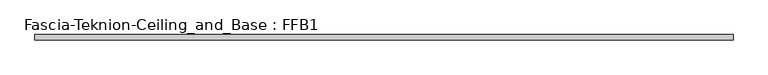
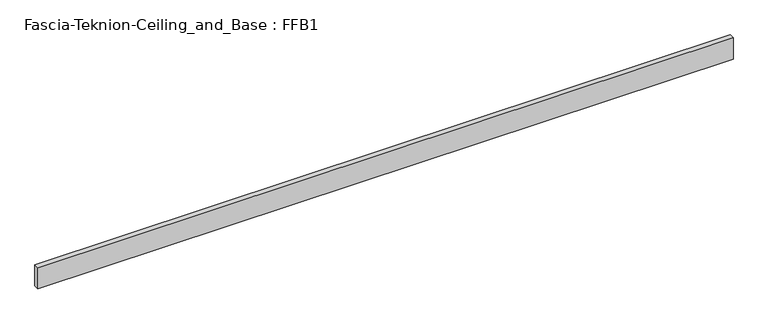
"""IFC4 building model written with IfcOpenShell, lengths in millimetres: proxy geometry, Fascia-Teknion-Ceiling_and_Base : FFB1."""

from ifc_helpers import new_model, si_unit, origin, origin_with_axes, place, context, project, spatial, polyline, outline, extrude, source, transform, mapped, element, save


def fascia_teknion_ceiling_and_base_ffb1_9837481b(model_context):
    return source(origin(), model_context, "Body", "SweptSolid", [
        extrude(outline(polyline([(1259.8356344, 0.0), (1259.8356344, -19.05), (-1259.8356344, -19.05), (-1259.8356344, 0.0), (1259.8356344, 0.0)])), origin_with_axes(), (0.0, 0.0, 1.0), 81.28),
    ])


if __name__ == "__main__":
    model = new_model("IFC4")
    model_context = context("Model", 3, world=origin())
    ifc_project = project(units=[si_unit("LENGTHUNIT", "METRE", prefix="MILLI")], contexts=[model_context])
    site = spatial("IfcSite", under=ifc_project)
    building = spatial("IfcBuilding", under=site)
    placement = place(None, origin())
    fascia_teknion_ceiling_and_base_ffb1_shape = fascia_teknion_ceiling_and_base_ffb1_9837481b(model_context)
    element("IfcBuildingElementProxy", 1, Name="Fascia-Teknion-Ceiling_and_Base : FFB1", ObjectType="Fascia-Teknion-Ceiling_and_Base : FFB1", at=placement, inside=building, context=model_context, shape_type="MappedRepresentation", body=[
        mapped(fascia_teknion_ceiling_and_base_ffb1_shape, transform((0.0, 0.0, 0.0), x_axis=(1.0, 0.0, 0.0), y_axis=(0.0, 1.0, 0.0), z_axis=(0.0, 0.0, 1.0))),
    ])
    save(model, "model.ifc")
